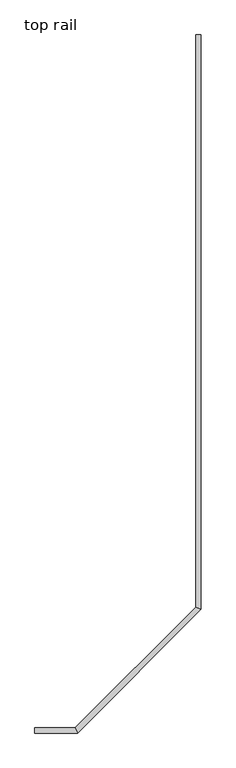
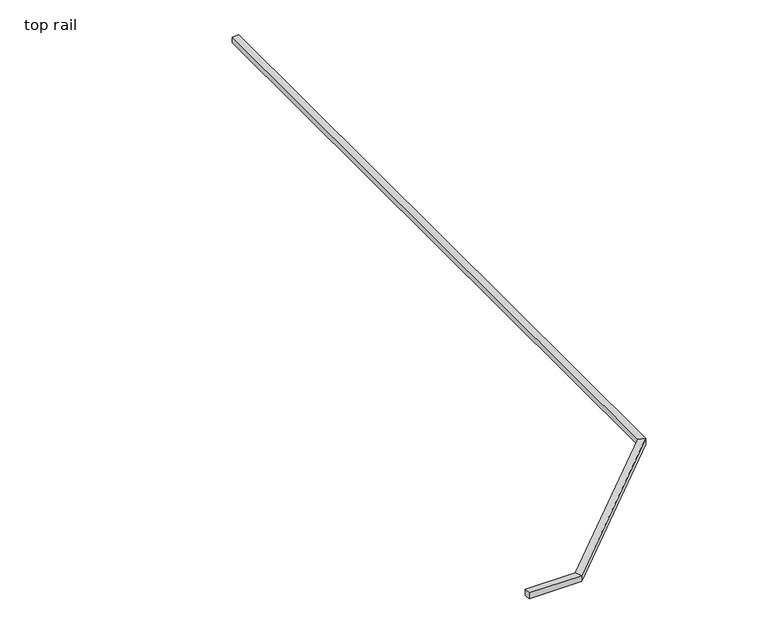
"""IFC4 building model written with IfcOpenShell, lengths in millimetres: railing geometry, top rail."""

from ifc_helpers import new_model, si_unit, origin, place, context, project, spatial, faceted_brep, source, transform, mapped, element, save


def top_rail_0101f01c(model_context):
    return source(origin(), model_context, "Body", "Brep", [
        faceted_brep([(4163.6605527, 1289.0002793, 1028.7), (4163.6605527, 1289.0002793, 1066.8), (4163.6605527, 1328.6877793, 1066.8), (4163.6605527, 1328.6877793, 1028.7), (4489.8313837, 1289.0002793, 1028.7), (4489.8313837, 1289.0002793, 1066.8), (4473.392283, 1328.6877793, 1066.8), (4473.392283, 1328.6877793, 1028.7), (5434.4543027, 2233.6231983, 1028.7), (5434.4543027, 2233.6231983, 1066.8), (5394.7668027, 2250.0622991, 1066.8), (5394.7668027, 2250.0622991, 1028.7), (5434.4543027, 6623.7940293, 1028.7), (5394.7668027, 6623.7940293, 1028.7), (5394.7668027, 6623.7940293, 1066.8), (5434.4543027, 6623.7940293, 1066.8)], [[[0, 1, 2, 3]], [[1, 0, 4, 5]], [[2, 1, 5, 6]], [[3, 2, 6, 7]], [[0, 3, 7, 4]], [[5, 4, 8, 9]], [[6, 5, 9, 10]], [[7, 6, 10, 11]], [[4, 7, 11, 8]], [[12, 13, 14, 15]], [[9, 8, 12, 15]], [[10, 9, 15, 14]], [[11, 10, 14, 13]], [[8, 11, 13, 12]]]),
    ])


if __name__ == "__main__":
    model = new_model("IFC4")
    model_context = context("Model", 3, world=origin())
    ifc_project = project(units=[si_unit("LENGTHUNIT", "METRE", prefix="MILLI")], contexts=[model_context])
    site = spatial("IfcSite", under=ifc_project)
    building = spatial("IfcBuilding", under=site)
    placement = place(None, origin())
    top_rail_shape = top_rail_0101f01c(model_context)
    element("IfcRailing", 1, ObjectType="top rail", at=placement, inside=building, context=model_context, shape_type="MappedRepresentation", body=[
        mapped(top_rail_shape, transform((0.0, 0.0, 0.0), x_axis=(1.0, 0.0, 0.0), y_axis=(0.0, 1.0, 0.0), z_axis=(0.0, 0.0, 1.0))),
    ])
    save(model, "model.ifc")
